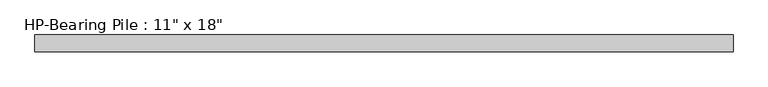
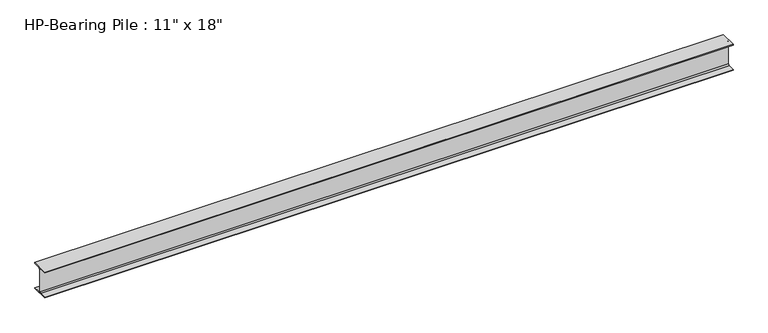
"""IFC4 building model written with IfcOpenShell, lengths in millimetres: beam geometry."""

from ifc_helpers import new_model, si_unit, point, frame, frame_2d, origin, place, context, project, spatial, polyline, circle_curve, trimmed, segment, composite_curve, outline, extrude, source, transform, mapped, element, save


def beam_c79151e8(model_context):
    return source(origin(), model_context, "Body", "SweptSolid", [
        extrude(outline(composite_curve([segment(polyline([(139.7, -215.503125), (139.7, -228.6), (-139.7, -228.6), (-139.7, -215.503125), (-25.2015625, -215.503125)]), True, "CONTINUOUS"), segment(trimmed(circle_curve(frame_2d((-25.2015625, -196.85)), 18.653125), [point((-25.2015625, -215.503125))], [point((-6.5484375, -196.85))], True, "CARTESIAN"), True, "CONTINUOUS"), segment(polyline([(-6.5484375, -196.85), (-6.5484375, 196.85)]), True, "CONTINUOUS"), segment(trimmed(circle_curve(frame_2d((-25.2015625, 196.85)), 18.653125), [point((-6.5484375, 196.85))], [point((-25.2015625, 215.503125))], True, "CARTESIAN"), True, "CONTINUOUS"), segment(polyline([(-25.2015625, 215.503125), (-139.7, 215.503125), (-139.7, 228.6), (139.7, 228.6), (139.7, 215.503125), (25.2015625, 215.503125)]), True, "CONTINUOUS"), segment(trimmed(circle_curve(frame_2d((25.2015625, 196.85)), 18.653125), [point((25.2015625, 215.503125))], [point((6.5484375, 196.85))], True, "CARTESIAN"), True, "CONTINUOUS"), segment(polyline([(6.5484375, 196.85), (6.5484375, -196.85)]), True, "CONTINUOUS"), segment(trimmed(circle_curve(frame_2d((25.2015625, -196.85)), 18.653125), [point((6.5484375, -196.85))], [point((25.2015625, -215.503125))], True, "CARTESIAN"), True, "CONTINUOUS"), segment(polyline([(25.2015625, -215.503125), (139.7, -215.503125)]), True, "CONTINUOUS")], self_intersect=False)), frame((-5755.8817084, 0.0, 0.0), z_axis=(1.0, 0.0, 0.0), x_axis=(0.0, 1.0, 0.0)), (0.0, 0.0, 1.0), 11511.7634168),
    ])


if __name__ == "__main__":
    model = new_model("IFC4")
    model_context = context("Model", 3, world=origin())
    ifc_project = project(units=[si_unit("LENGTHUNIT", "METRE", prefix="MILLI")], contexts=[model_context])
    site = spatial("IfcSite", under=ifc_project)
    building = spatial("IfcBuilding", under=site)
    placement = place(None, origin())
    beam_shape = beam_c79151e8(model_context)
    element("IfcBeam", 1, ObjectType="HP-Bearing Pile : 11\" x 18\"", at=placement, inside=building, context=model_context, shape_type="MappedRepresentation", body=[
        mapped(beam_shape, transform((0.0, 0.0, 0.0), x_axis=(1.0, 0.0, 0.0), y_axis=(0.0, 1.0, 0.0), z_axis=(0.0, 0.0, 1.0))),
    ])
    save(model, "model.ifc")
